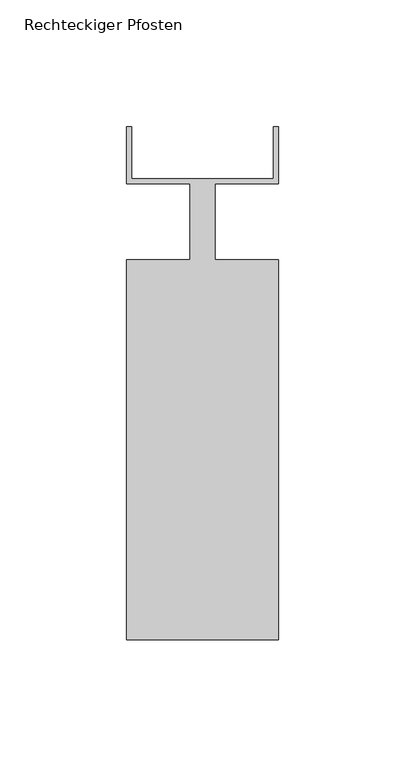
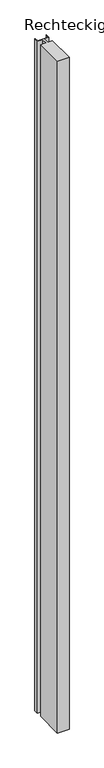
"""IFC4 building model written with IfcOpenShell, lengths in millimetres: member geometry, Rechteckiger Pfosten."""

from ifc_helpers import new_model, si_unit, frame, origin, place, context, project, spatial, polyline, outline, extrude, source, transform, mapped, element, save


def rechteckiger_pfosten_6935479e(model_context):
    return source(origin(), model_context, "Body", "SweptSolid", [
        extrude(outline(polyline([(28.0, 37.5), (30.0, 37.5), (30.0, 15.0), (5.0, 15.0), (5.0, -15.0), (30.0, -15.0), (30.0, -165.0), (-30.0, -165.0), (-30.0, -15.0), (-5.0, -15.0), (-5.0, 15.0), (-30.0, 15.0), (-30.0, 37.5), (-28.0, 37.5), (-28.0, 17.0), (28.0, 17.0), (28.0, 37.5)])), frame((0.0, 0.0, -3680.0), z_axis=(0.0, 0.0, 1.0), x_axis=(1.0, 0.0, 0.0)), (0.0, 0.0, 1.0), 3680.0),
    ])


if __name__ == "__main__":
    model = new_model("IFC4")
    model_context = context("Model", 3, world=origin())
    ifc_project = project(units=[si_unit("LENGTHUNIT", "METRE", prefix="MILLI")], contexts=[model_context])
    site = spatial("IfcSite", under=ifc_project)
    building = spatial("IfcBuilding", under=site)
    placement = place(None, origin())
    rechteckiger_pfosten_shape = rechteckiger_pfosten_6935479e(model_context)
    element("IfcMember", 1, ObjectType="Rechteckiger Pfosten", at=placement, inside=building, context=model_context, shape_type="MappedRepresentation", body=[
        mapped(rechteckiger_pfosten_shape, transform((0.0, 0.0, 0.0), x_axis=(1.0, 0.0, 0.0), y_axis=(0.0, 1.0, 0.0), z_axis=(0.0, 0.0, 1.0))),
    ])
    save(model, "model.ifc")
